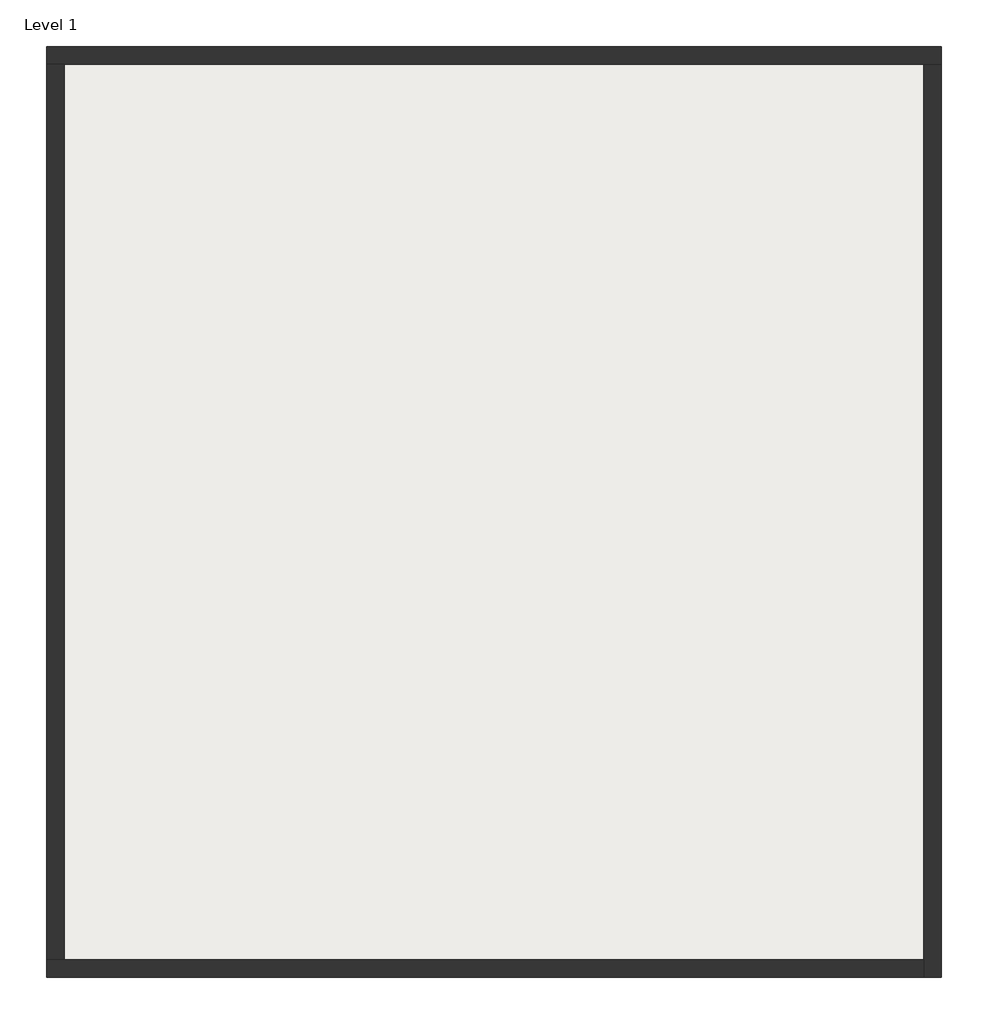
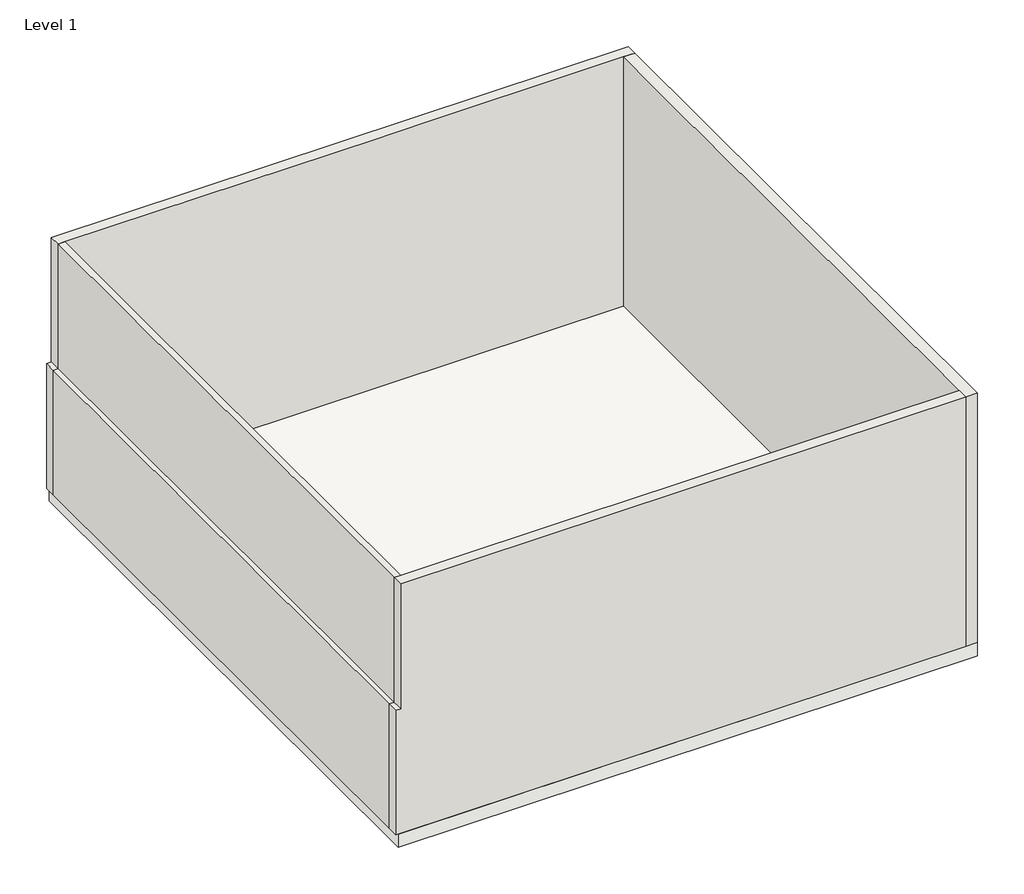
# One storey: 4 walls, 1 slab.
"""IFC4 building model written with IfcOpenShell, lengths in millimetres."""

from ifc_helpers import new_model, si_unit, frame, origin, place, context, project, spatial, polyline, outline, extrude, faceted_brep, element, save

model = new_model("IFC4")

# Units and contexts
model_context = context("Model", 3, world=origin())
ifc_project = project(units=[si_unit("LENGTHUNIT", "METRE", prefix="MILLI")], contexts=[model_context])

# Site, building, storey
site = spatial("IfcSite", under=ifc_project)
building = spatial("IfcBuilding", under=site)
storey = spatial("IfcBuildingStorey", under=building, Name="Level 1", Elevation=0.0)

# Slab
placement = place(None, origin())
element("IfcSlab", 1, ObjectType="Concrete-Domestic 425mm", at=placement, inside=storey, context=model_context, shape_type="SweptSolid", body=[
    extrude(outline(polyline([(960.5235311, 12329.2619841), (960.5235311, -6020.7380159), (-16614.4764689, -6020.7380159), (-16614.4764689, 12329.2619841), (960.5235311, 12329.2619841)])), frame((0.0, 0.0, -425.0), z_axis=(0.0, 0.0, 1.0), x_axis=(1.0, 0.0, 0.0)), (0.0, 0.0, 1.0), 425.0),
])

# Walls
element("IfcWall", 2, ObjectType="Exterior - Brick on Mtl. Stud", at=placement, inside=storey, context=model_context, shape_type="Brep", body=[
    faceted_brep([(-16689.4764689, 11979.2619841, 0.0), (-16339.4764689, 11979.2619841, 0.0), (610.5235311, 11979.2619841, 0.0), (960.5235311, 11979.2619841, 0.0), (960.5235311, 11979.2619841, 8000.0), (610.5235311, 11979.2619841, 8000.0), (-6514.9764689, 11979.2619841, 8000.0), (-6813.9764689, 11979.2619841, 8000.0), (-16339.4764689, 11979.2619841, 8000.0), (-16539.4764689, 11979.2619841, 8000.0), (-16539.4764689, 11979.2619841, 4000.0), (-16689.4764689, 11979.2619841, 4000.0), (-16689.4764689, 12329.2619841, 0.0), (-16689.4764689, 12329.2619841, 4000.0), (-16539.4764689, 12329.2619841, 4000.0), (-16539.4764689, 12329.2619841, 8000.0), (960.5235311, 12329.2619841, 8000.0), (960.5235311, 12329.2619841, 0.0)], [[[0, 1, 2, 3, 4, 5, 6, 7, 8, 9, 10, 11]], [[12, 13, 14, 15, 16, 17]], [[3, 2, 1, 0, 12, 17]], [[4, 3, 17, 16]], [[0, 11, 13, 12]], [[11, 10, 14, 13]], [[14, 10, 9, 15]], [[9, 8, 7, 6, 5, 4, 16, 15]]]),
])
element("IfcWall", 3, ObjectType="Exterior - Brick on Mtl. Stud", at=placement, inside=storey, context=model_context, shape_type="Brep", body=[
    faceted_brep([(610.5235311, 11979.2619841, 0.0), (610.5235311, -5670.7380159, 0.0), (610.5235311, -6020.7380159, 0.0), (610.5235311, -6020.7380159, 8000.0), (610.5235311, -5670.7380159, 8000.0), (610.5235311, 8104.7619841, 8000.0), (610.5235311, 8403.7619841, 8000.0), (610.5235311, 11979.2619841, 8000.0), (960.5235311, 11979.2619841, 0.0), (960.5235311, 11979.2619841, 8000.0), (960.5235311, -6020.7380159, 8000.0), (960.5235311, -6020.7380159, 0.0)], [[[0, 1, 2, 3, 4, 5, 6, 7]], [[8, 9, 10, 11]], [[2, 1, 0, 8, 11]], [[0, 7, 9, 8]], [[3, 2, 11, 10]], [[7, 6, 5, 4, 3, 10, 9]]]),
])
element("IfcWall", 4, ObjectType="Exterior - Brick on Mtl. Stud", at=placement, inside=storey, context=model_context, shape_type="Brep", body=[
    faceted_brep([(610.5235311, -5670.7380159, 0.0), (-16339.4764689, -5670.7380159, 0.0), (-16689.4764689, -5670.7380159, 0.0), (-16689.4764689, -5670.7380159, 4000.0), (-16539.4764689, -5670.7380159, 4000.0), (-16539.4764689, -5670.7380159, 8000.0), (-16339.4764689, -5670.7380159, 8000.0), (-10213.9764689, -5670.7380159, 8000.0), (-9914.9764689, -5670.7380159, 8000.0), (610.5235311, -5670.7380159, 8000.0), (610.5235311, -6020.7380159, 0.0), (610.5235311, -6020.7380159, 8000.0), (-16539.4764689, -6020.7380159, 8000.0), (-16539.4764689, -6020.7380159, 4000.0), (-16689.4764689, -6020.7380159, 4000.0), (-16689.4764689, -6020.7380159, 0.0)], [[[0, 1, 2, 3, 4, 5, 6, 7, 8, 9]], [[10, 11, 12, 13, 14, 15]], [[2, 1, 0, 10, 15]], [[0, 9, 11, 10]], [[3, 2, 15, 14]], [[4, 3, 14, 13]], [[4, 13, 12, 5]], [[9, 8, 7, 6, 5, 12, 11]]]),
])
element("IfcWall", 5, ObjectType="Exterior - Brick on Mtl. Stud", at=placement, inside=storey, context=model_context, shape_type="Brep", body=[
    faceted_brep([(-16339.4764689, -5670.7380159, 0.0), (-16339.4764689, 11979.2619841, 0.0), (-16339.4764689, 11979.2619841, 8000.0), (-16339.4764689, 8403.7619841, 8000.0), (-16339.4764689, 8104.7619841, 8000.0), (-16339.4764689, -5670.7380159, 8000.0), (-16689.4764689, -5670.7380159, 0.0), (-16689.4764689, -5670.7380159, 4000.0), (-16689.4764689, 11979.2619841, 4000.0), (-16689.4764689, 11979.2619841, 0.0), (-16539.4764689, 11979.2619841, 4000.0), (-16539.4764689, 11979.2619841, 8000.0), (-16539.4764689, -5670.7380159, 8000.0), (-16539.4764689, -5670.7380159, 4000.0)], [[[0, 1, 2, 3, 4, 5]], [[6, 7, 8, 9]], [[1, 0, 6, 9]], [[2, 1, 9, 8, 10, 11]], [[0, 5, 12, 13, 7, 6]], [[5, 4, 3, 2, 11, 12]], [[10, 8, 7, 13]], [[10, 13, 12, 11]]]),
])

save(model, "model.ifc")
